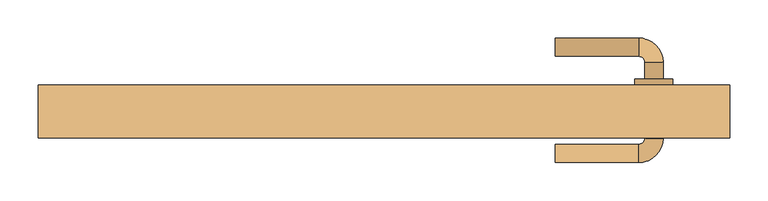
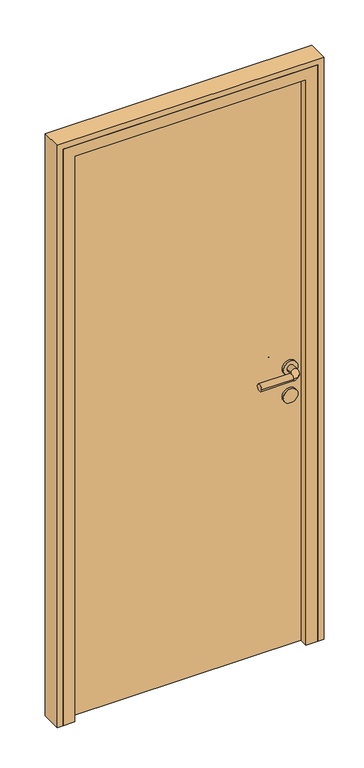
"""IFC4 building model written with IfcOpenShell, lengths in millimetres: door geometry."""

from ifc_helpers import new_model, si_unit, point, frame, frame_2d, origin, origin_with_axes, place, context, project, spatial, polyline, circle_curve, ellipse_curve, trimmed, segment, composite_curve, outline, extrude, faceted_brep, source, transform, mapped, element, save
from ifc_brep_helpers import plane_surface, cylinder_surface, revolved_surface, advanced_brep


def door_4a3aa6e8(model_context):
    return source(origin(), model_context, "Body", "SolidModel", [
        advanced_brep(
        [(225.0, 197.0, 1000.0), (225.0, 173.0, 1000.0), (335.0, 173.0, 1000.0), (335.0, 197.0, 1000.0), (343.0, 165.0, 1000.0), (367.0, 165.0, 1000.0), (367.0, 65.0, 1000.0), (367.0, 87.0, 1000.0), (343.0, 87.0, 1000.0), (343.0, 65.0, 1000.0), (343.0, 143.0, 1000.0), (367.0, 143.0, 1000.0), (335.0, 57.0, 1000.0), (335.0, 33.0, 1000.0), (225.0, 33.0, 1000.0), (225.0, 57.0, 1000.0), (330.0, 87.0, 1000.0), (380.0, 87.0, 1000.0), (330.0, 143.0, 1000.0), (380.0, 143.0, 1000.0)],
        [
            (0, 1, circle_curve(frame((225.0, 185.0, 1000.0), z_axis=(-1.0, 0.0, 0.0), x_axis=(0.0, -1.0, 0.0)), 12.0)),
            (1, 0, circle_curve(frame((225.0, 185.0, 1000.0), z_axis=(-1.0, 0.0, 0.0), x_axis=(0.0, -1.0, 0.0)), 12.0)),
            (1, 2),
            (2, 3, circle_curve(frame((335.0, 185.0, 1000.0), z_axis=(-1.0, 0.0, 0.0), x_axis=(0.0, -1.0, 0.0)), 12.0)),
            (3, 0),
            (3, 2, circle_curve(frame((335.0, 185.0, 1000.0), z_axis=(-1.0, 0.0, 0.0), x_axis=(0.0, -1.0, 0.0)), 12.0)),
            (2, 4, circle_curve(frame((335.0, 165.0, 1000.0), z_axis=(0.0, 0.0, -1.0), x_axis=(0.0, 1.0, 0.0)), 8.0)),
            (4, 5, circle_curve(frame((355.0, 165.0, 1000.0), z_axis=(0.0, 1.0, 0.0), x_axis=(-1.0, 0.0, 0.0)), 12.0)),
            (5, 3, circle_curve(frame((335.0, 165.0, 1000.0), z_axis=(0.0, 0.0, 1.0), x_axis=(0.0, 1.0, 0.0)), 32.0)),
            (5, 4, circle_curve(frame((355.0, 165.0, 1000.0), z_axis=(0.0, 1.0, 0.0), x_axis=(-1.0, 0.0, 0.0)), 12.0)),
            (6, 7),
            (7, 8, circle_curve(frame((355.0, 87.0, 1000.0), z_axis=(0.0, -1.0, 0.0), x_axis=(-1.0, 0.0, 0.0)), 12.0)),
            (8, 9),
            (9, 6, circle_curve(frame((355.0, 65.0, 1000.0), z_axis=(0.0, 1.0, 0.0), x_axis=(-1.0, 0.0, 0.0)), 12.0)),
            (4, 10),
            (10, 11, circle_curve(frame((355.0, 143.0, 1000.0), z_axis=(0.0, 1.0, 0.0), x_axis=(-1.0, 0.0, 0.0)), 12.0)),
            (11, 5),
            (11, 10, circle_curve(frame((355.0, 143.0, 1000.0), z_axis=(0.0, 1.0, 0.0), x_axis=(-1.0, 0.0, 0.0)), 12.0)),
            (8, 7, circle_curve(frame((355.0, 87.0, 1000.0), z_axis=(0.0, -1.0, 0.0), x_axis=(-1.0, 0.0, 0.0)), 12.0)),
            (6, 9, circle_curve(frame((355.0, 65.0, 1000.0), z_axis=(0.0, 1.0, 0.0), x_axis=(-1.0, 0.0, 0.0)), 12.0)),
            (9, 12, circle_curve(frame((335.0, 65.0, 1000.0), z_axis=(0.0, 0.0, -1.0), x_axis=(1.0, 0.0, 0.0)), 8.0)),
            (12, 13, circle_curve(frame((335.0, 45.0, 1000.0), z_axis=(1.0, 0.0, 0.0), x_axis=(0.0, 1.0, 0.0)), 12.0)),
            (13, 6, circle_curve(frame((335.0, 65.0, 1000.0), z_axis=(0.0, 0.0, 1.0), x_axis=(1.0, 0.0, 0.0)), 32.0)),
            (13, 12, circle_curve(frame((335.0, 45.0, 1000.0), z_axis=(1.0, 0.0, 0.0), x_axis=(0.0, 1.0, 0.0)), 12.0)),
            (14, 15, circle_curve(frame((225.0, 45.0, 1000.0), z_axis=(-1.0, 0.0, 0.0), x_axis=(0.0, 1.0, 0.0)), 12.0)),
            (15, 14, circle_curve(frame((225.0, 45.0, 1000.0), z_axis=(-1.0, 0.0, 0.0), x_axis=(0.0, 1.0, 0.0)), 12.0)),
            (12, 15),
            (14, 13),
            (16, 17, circle_curve(frame((355.0, 87.0, 1000.0), z_axis=(0.0, -1.0, 0.0), x_axis=(1.0, 0.0, 0.0)), 25.0)),
            (17, 16, circle_curve(frame((355.0, 87.0, 1000.0), z_axis=(0.0, -1.0, 0.0), x_axis=(1.0, 0.0, 0.0)), 25.0)),
            (18, 19, circle_curve(frame((355.0, 143.0, 1000.0), z_axis=(0.0, 1.0, 0.0), x_axis=(1.0, 0.0, 0.0)), 25.0)),
            (19, 18, circle_curve(frame((355.0, 143.0, 1000.0), z_axis=(0.0, 1.0, 0.0), x_axis=(1.0, 0.0, 0.0)), 25.0)),
            (17, 19),
            (18, 16),
        ],
        [
            plane_surface(frame((225.0, 185.0, 1000.0), z_axis=(-1.0, 0.0, 0.0), x_axis=(0.0, 0.0, 1.0))),
            cylinder_surface(frame((225.0, 185.0, 1000.0), z_axis=(-1.0, 0.0, 0.0), x_axis=(0.0, -1.0, 0.0)), 12.0),
            revolved_surface(trimmed(ellipse_curve(frame((335.0, 185.0, 1000.0), z_axis=(1.0, 0.0, 0.0), x_axis=(0.0, -1.0, 0.0)), 12.0, 12.0), [point((335.0, 197.0, 1000.0))], [point((335.0, 173.0, 1000.0))], True, "CARTESIAN"), (335.0, 165.0, 1000.0), (0.0, 0.0, 1.0)),
            revolved_surface(trimmed(ellipse_curve(frame((335.0, 185.0, 1000.0), z_axis=(1.0, 0.0, 0.0), x_axis=(0.0, -1.0, 0.0)), 12.0, 12.0), [point((335.0, 173.0, 1000.0))], [point((335.0, 197.0, 1000.0))], True, "CARTESIAN"), (335.0, 165.0, 1000.0), (0.0, 0.0, 1.0)),
            cylinder_surface(frame((355.0, 165.0, 1000.0), z_axis=(0.0, 1.0, 0.0), x_axis=(-1.0, 0.0, 0.0)), 12.0),
            revolved_surface(trimmed(ellipse_curve(frame((355.0, 65.0, 1000.0), z_axis=(0.0, -1.0, 0.0), x_axis=(-1.0, 0.0, 0.0)), 12.0, 12.0), [point((367.0, 65.0, 1000.0))], [point((343.0, 65.0, 1000.0))], True, "CARTESIAN"), (335.0, 65.0, 1000.0), (0.0, 0.0, 1.0)),
            revolved_surface(trimmed(ellipse_curve(frame((355.0, 65.0, 1000.0), z_axis=(0.0, -1.0, 0.0), x_axis=(-1.0, 0.0, 0.0)), 12.0, 12.0), [point((343.0, 65.0, 1000.0))], [point((367.0, 65.0, 1000.0))], True, "CARTESIAN"), (335.0, 65.0, 1000.0), (0.0, 0.0, 1.0)),
            plane_surface(frame((225.0, 45.0, 1000.0), z_axis=(-1.0, 0.0, 0.0), x_axis=(0.0, 0.0, 1.0))),
            cylinder_surface(frame((335.0, 45.0, 1000.0), z_axis=(1.0, 0.0, 0.0), x_axis=(0.0, 1.0, 0.0)), 12.0),
            plane_surface(frame((380.0, 87.0, 1000.0), z_axis=(0.0, -1.0, 0.0), x_axis=(0.0, 0.0, -1.0))),
            plane_surface(frame((380.0, 143.0, 1000.0), z_axis=(0.0, 1.0, 0.0), x_axis=(0.0, 0.0, 1.0))),
            cylinder_surface(frame((355.0, 87.0, 1000.0), z_axis=(0.0, 1.0, 0.0), x_axis=(1.0, 0.0, 0.0)), 25.0),
        ],
        [
            (0, [[1, 2]]),
            (1, [[3, 4, 5, -2]]),
            (1, [[-5, 6, -3, -1]]),
            (2, [[7, 8, 9, -4]]),
            (3, [[-9, 10, -7, -6]]),
            (4, [[11, 12, 13, 14]]),
            (4, [[15, 16, 17, -8]]),
            (4, [[-17, 18, -15, -10]]),
            (4, [[-13, 19, -11, 20]]),
            (5, [[21, 22, 23, -14]]),
            (6, [[-23, 24, -21, -20]]),
            (7, [[25, 26]]),
            (8, [[27, -25, 28, -22]]),
            (8, [[-28, -26, -27, -24]]),
            (9, [[29, 30], [-19, -12]]),
            (10, [[31, 32], [-18, -16]]),
            (11, [[33, -31, 34, -30]]),
            (11, [[-34, -32, -33, -29]]),
        ],
    ),
        extrude(outline(composite_curve([segment(trimmed(circle_curve(frame_2d((900.0, 355.0)), 25.0), [point((900.0, 330.0))], [point((900.0, 380.0))], False, "CARTESIAN"), True, "CONTINUOUS"), segment(trimmed(circle_curve(frame_2d((900.0, 355.0)), 25.0), [point((900.0, 380.0))], [point((900.0, 330.0))], False, "CARTESIAN"), True, "CONTINUOUS")], self_intersect=False)), frame((0.0, 87.0, 0.0), z_axis=(0.0, 1.0, 0.0), x_axis=(0.0, 0.0, 1.0)), (0.0, 0.0, 1.0), 56.0),
        extrude(outline(polyline([(405.0, 95.0), (-405.0, 95.0), (-405.0, 135.0), (405.0, 135.0), (405.0, 95.0)])), origin_with_axes(), (0.0, 0.0, 1.0), 2050.0),
        extrude(outline(polyline([(0.0, 455.0), (2100.0, 455.0), (2100.0, -455.0), (0.0, -455.0), (0.0, -435.0), (2080.0, -435.0), (2080.0, 435.0), (0.0, 435.0), (0.0, 455.0)])), frame((0.0, 65.0, 0.0), z_axis=(0.0, 1.0, 0.0), x_axis=(0.0, 0.0, 1.0)), (0.0, 0.0, 1.0), 70.0),
        faceted_brep([(-435.0, 65.0, 0.0), (-435.0, 135.0, 0.0), (-405.0, 135.0, 0.0), (-405.0, 95.0, 0.0), (-395.0, 95.0, 0.0), (-395.0, 65.0, 0.0), (-435.0, 65.0, 2080.0), (-435.0, 135.0, 2080.0), (435.0, 135.0, 2080.0), (435.0, 135.0, 0.0), (405.0, 135.0, 0.0), (405.0, 135.0, 2050.0), (-405.0, 135.0, 2050.0), (-405.0, 95.0, 2050.0), (405.0, 95.0, 2050.0), (405.0, 95.0, 0.0), (395.0, 95.0, 0.0), (395.0, 95.0, 2040.0), (-395.0, 95.0, 2040.0), (-395.0, 65.0, 2040.0), (395.0, 65.0, 2040.0), (395.0, 65.0, 0.0), (435.0, 65.0, 0.0), (435.0, 65.0, 2080.0)], [[[0, 1, 2, 3, 4, 5]], [[1, 0, 6, 7]], [[2, 1, 7, 8, 9, 10, 11, 12]], [[3, 2, 12, 13]], [[4, 3, 13, 14, 15, 16, 17, 18]], [[5, 4, 18, 19]], [[0, 5, 19, 20, 21, 22, 23, 6]], [[7, 6, 23, 8]], [[13, 12, 11, 14]], [[19, 18, 17, 20]], [[22, 21, 16, 15, 10, 9]], [[8, 23, 22, 9]], [[14, 11, 10, 15]], [[20, 17, 16, 21]]]),
    ])


if __name__ == "__main__":
    model = new_model("IFC4")
    model_context = context("Model", 3, world=origin())
    ifc_project = project(units=[si_unit("LENGTHUNIT", "METRE", prefix="MILLI")], contexts=[model_context])
    site = spatial("IfcSite", under=ifc_project)
    building = spatial("IfcBuilding", under=site)
    placement = place(None, origin())
    door_shape = door_4a3aa6e8(model_context)
    element("IfcDoor", 1, at=placement, inside=building, context=model_context, shape_type="MappedRepresentation", body=[
        mapped(door_shape, transform((0.0, 0.0, 0.0), x_axis=(1.0, 0.0, 0.0), y_axis=(0.0, 1.0, 0.0), z_axis=(0.0, 0.0, 1.0))),
    ])
    save(model, "model.ifc")
